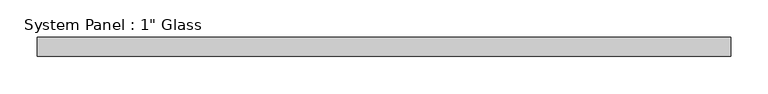
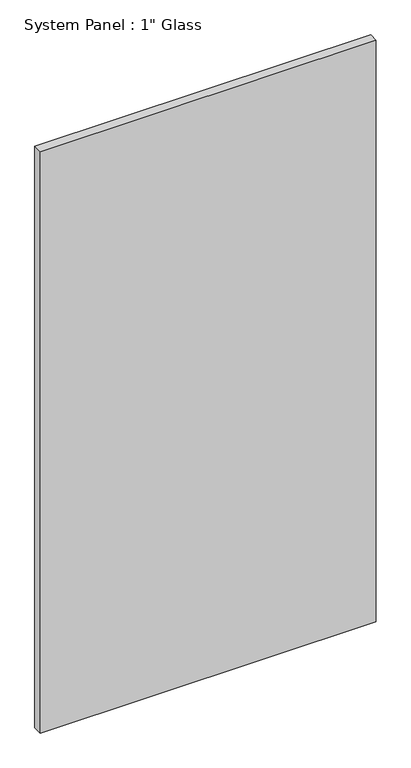
"""IFC4 building model written with IfcOpenShell, lengths in millimetres: plate geometry."""

from ifc_helpers import new_model, si_unit, origin, origin_with_axes, place, context, project, spatial, polyline, outline, extrude, source, transform, mapped, element, save


def plate_e8fa366e(model_context):
    return source(origin(), model_context, "Body", "SweptSolid", [
        extrude(outline(polyline([(463.5032684, -12.7), (-463.5032684, -12.7), (-463.5032684, 12.7), (463.5032684, 12.7), (463.5032684, -12.7)])), origin_with_axes(), (0.0, 0.0, 1.0), 1695.45),
    ])


if __name__ == "__main__":
    model = new_model("IFC4")
    model_context = context("Model", 3, world=origin())
    ifc_project = project(units=[si_unit("LENGTHUNIT", "METRE", prefix="MILLI")], contexts=[model_context])
    site = spatial("IfcSite", under=ifc_project)
    building = spatial("IfcBuilding", under=site)
    placement = place(None, origin())
    plate_shape = plate_e8fa366e(model_context)
    element("IfcPlate", 1, ObjectType="System Panel : 1\" Glass", at=placement, inside=building, context=model_context, shape_type="MappedRepresentation", body=[
        mapped(plate_shape, transform((0.0, 0.0, 0.0), x_axis=(1.0, 0.0, 0.0), y_axis=(0.0, 1.0, 0.0), z_axis=(0.0, 0.0, 1.0))),
    ])
    save(model, "model.ifc")
